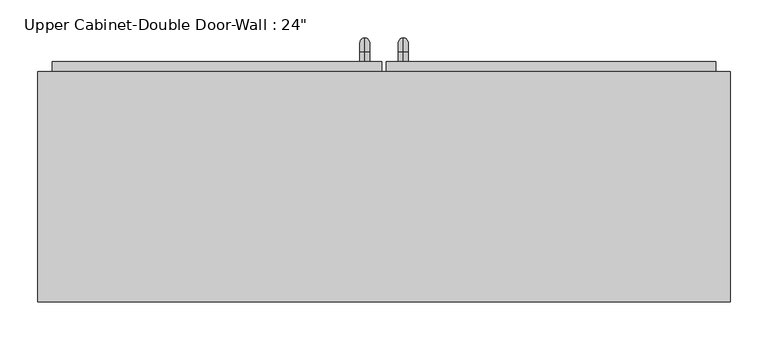
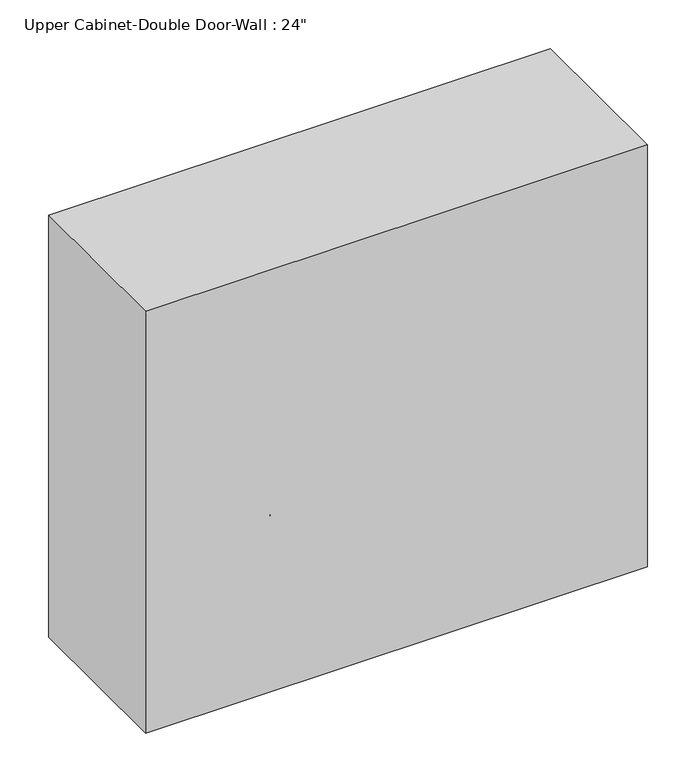
"""IFC4 building model written with IfcOpenShell, lengths in millimetres: furniture geometry."""

from ifc_helpers import new_model, si_unit, point, frame, origin, place, context, project, spatial, polyline, circle_curve, ellipse_curve, trimmed, outline, extrude, faceted_brep, source, transform, mapped, element, save
from ifc_brep_helpers import plane_surface, cylinder_surface, revolved_surface, advanced_brep


def furniture_da6f74d1(model_context):
    return source(origin(), model_context, "Body", "SolidModel", [
        faceted_brep([(-427.4288372, 76.2, 2133.6), (-427.4288372, 76.2, 1320.8), (486.9711628, 76.2, 1320.8), (486.9711628, 76.2, 2133.6), (-427.4288372, 381.0, 2133.6), (486.9711628, 381.0, 2133.6), (486.9711628, 381.0, 1320.8), (-427.4288372, 381.0, 1320.8), (-408.3788372, 381.0, 2114.55), (-408.3788372, 381.0, 1339.85), (467.9211628, 381.0, 1339.85), (467.9211628, 381.0, 2114.55), (467.9211628, 95.25, 2114.55), (-408.3788372, 95.25, 2114.55), (467.9211628, 95.25, 1339.85), (-408.3788372, 95.25, 1339.85)], [[[0, 1, 2, 3]], [[4, 5, 6, 7], [8, 9, 10, 11]], [[1, 0, 4, 7]], [[2, 1, 7, 6]], [[3, 2, 6, 5]], [[0, 3, 5, 4]], [[8, 11, 12, 13]], [[11, 10, 14, 12]], [[10, 9, 15, 14]], [[9, 8, 13, 15]], [[13, 12, 14, 15]]]),
        advanced_brep(
        [(55.1711628, 393.7, 1466.85), (55.1711628, 393.7, 1479.55), (55.1711628, 406.4, 1466.85), (55.1711628, 406.4, 1479.55), (55.1711628, 425.45, 1460.5), (55.1711628, 412.75, 1460.5), (55.1711628, 412.75, 1384.3), (55.1711628, 425.45, 1384.3), (55.1711628, 406.4, 1365.25), (55.1711628, 406.4, 1377.95), (55.1711628, 393.7, 1377.95), (55.1711628, 393.7, 1365.25)],
        [
            (0, 1, circle_curve(frame((55.1711628, 393.7, 1473.2), z_axis=(0.0, -1.0, 0.0), x_axis=(0.0, 0.0, -1.0)), 6.35)),
            (1, 0, circle_curve(frame((55.1711628, 393.7, 1473.2), z_axis=(0.0, -1.0, 0.0), x_axis=(0.0, 0.0, -1.0)), 6.35)),
            (0, 2),
            (2, 3, circle_curve(frame((55.1711628, 406.4, 1473.2), z_axis=(0.0, -1.0, 0.0), x_axis=(0.0, 0.0, -1.0)), 6.35)),
            (3, 1),
            (3, 2, circle_curve(frame((55.1711628, 406.4, 1473.2), z_axis=(0.0, -1.0, 0.0), x_axis=(0.0, 0.0, -1.0)), 6.35)),
            (4, 3, circle_curve(frame((55.1711628, 406.4, 1460.5), z_axis=(1.0, 0.0, 0.0), x_axis=(0.0, 0.0, 1.0)), 19.05)),
            (2, 5, circle_curve(frame((55.1711628, 406.4, 1460.5), z_axis=(-1.0, 0.0, 0.0), x_axis=(0.0, 0.0, 1.0)), 6.35)),
            (5, 4, circle_curve(frame((55.1711628, 419.1, 1460.5), z_axis=(0.0, 0.0, 1.0), x_axis=(0.0, -1.0, 0.0)), 6.35)),
            (4, 5, circle_curve(frame((55.1711628, 419.1, 1460.5), z_axis=(0.0, 0.0, 1.0), x_axis=(0.0, -1.0, 0.0)), 6.35)),
            (5, 6),
            (6, 7, circle_curve(frame((55.1711628, 419.1, 1384.3), z_axis=(0.0, 0.0, 1.0), x_axis=(0.0, -1.0, 0.0)), 6.35)),
            (7, 4),
            (7, 6, circle_curve(frame((55.1711628, 419.1, 1384.3), z_axis=(0.0, 0.0, 1.0), x_axis=(0.0, -1.0, 0.0)), 6.35)),
            (8, 7, circle_curve(frame((55.1711628, 406.4, 1384.3), z_axis=(1.0, 0.0, 0.0), x_axis=(0.0, 1.0, 0.0)), 19.05)),
            (6, 9, circle_curve(frame((55.1711628, 406.4, 1384.3), z_axis=(-1.0, 0.0, 0.0), x_axis=(0.0, 1.0, 0.0)), 6.35)),
            (9, 8, circle_curve(frame((55.1711628, 406.4, 1371.6), z_axis=(0.0, 1.0, 0.0), x_axis=(0.0, 0.0, 1.0)), 6.35)),
            (8, 9, circle_curve(frame((55.1711628, 406.4, 1371.6), z_axis=(0.0, 1.0, 0.0), x_axis=(0.0, 0.0, 1.0)), 6.35)),
            (10, 11, circle_curve(frame((55.1711628, 393.7, 1371.6), z_axis=(0.0, -1.0, 0.0), x_axis=(0.0, 0.0, 1.0)), 6.35)),
            (11, 10, circle_curve(frame((55.1711628, 393.7, 1371.6), z_axis=(0.0, -1.0, 0.0), x_axis=(0.0, 0.0, 1.0)), 6.35)),
            (9, 10),
            (11, 8),
        ],
        [
            plane_surface(frame((48.8211628, 393.7, 1473.2), z_axis=(0.0, -1.0, 0.0), x_axis=(0.0, 0.0, 1.0))),
            cylinder_surface(frame((55.1711628, 393.7, 1473.2), z_axis=(0.0, -1.0, 0.0), x_axis=(0.0, 0.0, -1.0)), 6.35),
            revolved_surface(trimmed(ellipse_curve(frame((55.1711628, 406.4, 1473.2), z_axis=(0.0, -1.0, 0.0), x_axis=(0.0, 0.0, -1.0)), 6.35, 6.35), [point((55.1711628, 406.4, 1466.85))], [point((55.1711628, 406.4, 1479.55))], True, "CARTESIAN"), (55.1711628, 406.4, 1460.5), (-1.0, 0.0, 0.0)),
            revolved_surface(trimmed(ellipse_curve(frame((55.1711628, 406.4, 1473.2), z_axis=(0.0, -1.0, 0.0), x_axis=(0.0, 0.0, -1.0)), 6.35, 6.35), [point((55.1711628, 406.4, 1479.55))], [point((55.1711628, 406.4, 1466.85))], True, "CARTESIAN"), (55.1711628, 406.4, 1460.5), (-1.0, 0.0, 0.0)),
            cylinder_surface(frame((55.1711628, 419.1, 1460.5), z_axis=(0.0, 0.0, 1.0), x_axis=(0.0, -1.0, 0.0)), 6.35),
            revolved_surface(trimmed(ellipse_curve(frame((55.1711628, 419.1, 1384.3), z_axis=(0.0, 0.0, 1.0), x_axis=(0.0, -1.0, 0.0)), 6.35, 6.35), [point((55.1711628, 412.75, 1384.3))], [point((55.1711628, 425.45, 1384.3))], True, "CARTESIAN"), (55.1711628, 406.4, 1384.3), (-1.0, 0.0, 0.0)),
            revolved_surface(trimmed(ellipse_curve(frame((55.1711628, 419.1, 1384.3), z_axis=(0.0, 0.0, 1.0), x_axis=(0.0, -1.0, 0.0)), 6.35, 6.35), [point((55.1711628, 425.45, 1384.3))], [point((55.1711628, 412.75, 1384.3))], True, "CARTESIAN"), (55.1711628, 406.4, 1384.3), (-1.0, 0.0, 0.0)),
            plane_surface(frame((48.8211628, 393.7, 1371.6), z_axis=(0.0, -1.0, 0.0), x_axis=(0.0, 0.0, -1.0))),
            cylinder_surface(frame((55.1711628, 406.4, 1371.6), z_axis=(0.0, 1.0, 0.0), x_axis=(0.0, 0.0, 1.0)), 6.35),
        ],
        [
            (0, [[1, 2]]),
            (1, [[-1, 3, 4, 5]]),
            (1, [[-2, -5, 6, -3]]),
            (2, [[7, -4, 8, 9]]),
            (3, [[-8, -6, -7, 10]]),
            (4, [[-9, 11, 12, 13]]),
            (4, [[-10, -13, 14, -11]]),
            (5, [[15, -12, 16, 17]]),
            (6, [[-16, -14, -15, 18]]),
            (7, [[19, 20]]),
            (8, [[-17, 21, -20, 22]]),
            (8, [[-18, -22, -19, -21]]),
        ],
    ),
        advanced_brep(
        [(4.3711628, 393.7, 1466.85), (4.3711628, 393.7, 1479.55), (4.3711628, 406.4, 1466.85), (4.3711628, 406.4, 1479.55), (4.3711628, 425.45, 1460.5), (4.3711628, 412.75, 1460.5), (4.3711628, 412.75, 1384.3), (4.3711628, 425.45, 1384.3), (4.3711628, 406.4, 1365.25), (4.3711628, 406.4, 1377.95), (4.3711628, 393.7, 1377.95), (4.3711628, 393.7, 1365.25)],
        [
            (0, 1, circle_curve(frame((4.3711628, 393.7, 1473.2), z_axis=(0.0, -1.0, 0.0), x_axis=(0.0, 0.0, 1.0)), 6.35)),
            (1, 0, circle_curve(frame((4.3711628, 393.7, 1473.2), z_axis=(0.0, -1.0, 0.0), x_axis=(0.0, 0.0, 1.0)), 6.35)),
            (0, 2),
            (2, 3, circle_curve(frame((4.3711628, 406.4, 1473.2), z_axis=(0.0, -1.0, 0.0), x_axis=(0.0, 0.0, 1.0)), 6.35)),
            (3, 1),
            (3, 2, circle_curve(frame((4.3711628, 406.4, 1473.2), z_axis=(0.0, -1.0, 0.0), x_axis=(0.0, 0.0, 1.0)), 6.35)),
            (4, 3, circle_curve(frame((4.3711628, 406.4, 1460.5), z_axis=(1.0, 0.0, 0.0), x_axis=(0.0, 0.0, 1.0)), 19.05)),
            (2, 5, circle_curve(frame((4.3711628, 406.4, 1460.5), z_axis=(-1.0, 0.0, 0.0), x_axis=(0.0, 0.0, 1.0)), 6.35)),
            (5, 4, circle_curve(frame((4.3711628, 419.1, 1460.5), z_axis=(0.0, 0.0, 1.0), x_axis=(0.0, 1.0, 0.0)), 6.35)),
            (4, 5, circle_curve(frame((4.3711628, 419.1, 1460.5), z_axis=(0.0, 0.0, 1.0), x_axis=(0.0, 1.0, 0.0)), 6.35)),
            (5, 6),
            (6, 7, circle_curve(frame((4.3711628, 419.1, 1384.3), z_axis=(0.0, 0.0, 1.0), x_axis=(0.0, 1.0, 0.0)), 6.35)),
            (7, 4),
            (7, 6, circle_curve(frame((4.3711628, 419.1, 1384.3), z_axis=(0.0, 0.0, 1.0), x_axis=(0.0, 1.0, 0.0)), 6.35)),
            (8, 7, circle_curve(frame((4.3711628, 406.4, 1384.3), z_axis=(1.0, 0.0, 0.0), x_axis=(0.0, 1.0, 0.0)), 19.05)),
            (6, 9, circle_curve(frame((4.3711628, 406.4, 1384.3), z_axis=(-1.0, 0.0, 0.0), x_axis=(0.0, 1.0, 0.0)), 6.35)),
            (9, 8, circle_curve(frame((4.3711628, 406.4, 1371.6), z_axis=(0.0, 1.0, 0.0), x_axis=(0.0, 0.0, -1.0)), 6.35)),
            (8, 9, circle_curve(frame((4.3711628, 406.4, 1371.6), z_axis=(0.0, 1.0, 0.0), x_axis=(0.0, 0.0, -1.0)), 6.35)),
            (10, 11, circle_curve(frame((4.3711628, 393.7, 1371.6), z_axis=(0.0, -1.0, 0.0), x_axis=(0.0, 0.0, -1.0)), 6.35)),
            (11, 10, circle_curve(frame((4.3711628, 393.7, 1371.6), z_axis=(0.0, -1.0, 0.0), x_axis=(0.0, 0.0, -1.0)), 6.35)),
            (9, 10),
            (11, 8),
        ],
        [
            plane_surface(frame((-1.9788372, 393.7, 1473.2), z_axis=(0.0, -1.0, 0.0), x_axis=(0.0, 0.0, 1.0))),
            cylinder_surface(frame((4.3711628, 393.7, 1473.2), z_axis=(0.0, -1.0, 0.0), x_axis=(0.0, 0.0, 1.0)), 6.35),
            revolved_surface(trimmed(ellipse_curve(frame((4.3711628, 406.4, 1473.2), z_axis=(0.0, -1.0, 0.0), x_axis=(0.0, 0.0, 1.0)), 6.35, 6.35), [point((4.3711628, 406.4, 1466.85))], [point((4.3711628, 406.4, 1479.55))], True, "CARTESIAN"), (4.3711628, 406.4, 1460.5), (-1.0, 0.0, 0.0)),
            revolved_surface(trimmed(ellipse_curve(frame((4.3711628, 406.4, 1473.2), z_axis=(0.0, -1.0, 0.0), x_axis=(0.0, 0.0, 1.0)), 6.35, 6.35), [point((4.3711628, 406.4, 1479.55))], [point((4.3711628, 406.4, 1466.85))], True, "CARTESIAN"), (4.3711628, 406.4, 1460.5), (-1.0, 0.0, 0.0)),
            cylinder_surface(frame((4.3711628, 419.1, 1460.5), z_axis=(0.0, 0.0, 1.0), x_axis=(0.0, 1.0, 0.0)), 6.35),
            revolved_surface(trimmed(ellipse_curve(frame((4.3711628, 419.1, 1384.3), z_axis=(0.0, 0.0, 1.0), x_axis=(0.0, 1.0, 0.0)), 6.35, 6.35), [point((4.3711628, 412.75, 1384.3))], [point((4.3711628, 425.45, 1384.3))], True, "CARTESIAN"), (4.3711628, 406.4, 1384.3), (-1.0, 0.0, 0.0)),
            revolved_surface(trimmed(ellipse_curve(frame((4.3711628, 419.1, 1384.3), z_axis=(0.0, 0.0, 1.0), x_axis=(0.0, 1.0, 0.0)), 6.35, 6.35), [point((4.3711628, 425.45, 1384.3))], [point((4.3711628, 412.75, 1384.3))], True, "CARTESIAN"), (4.3711628, 406.4, 1384.3), (-1.0, 0.0, 0.0)),
            plane_surface(frame((-1.9788372, 393.7, 1371.6), z_axis=(0.0, -1.0, 0.0), x_axis=(0.0, 0.0, -1.0))),
            cylinder_surface(frame((4.3711628, 406.4, 1371.6), z_axis=(0.0, 1.0, 0.0), x_axis=(0.0, 0.0, -1.0)), 6.35),
        ],
        [
            (0, [[1, 2]]),
            (1, [[-1, 3, 4, 5]]),
            (1, [[-2, -5, 6, -3]]),
            (2, [[7, -4, 8, 9]]),
            (3, [[-8, -6, -7, 10]]),
            (4, [[-9, 11, 12, 13]]),
            (4, [[-10, -13, 14, -11]]),
            (5, [[15, -12, 16, 17]]),
            (6, [[-16, -14, -15, 18]]),
            (7, [[19, 20]]),
            (8, [[-17, 21, -20, 22]]),
            (8, [[-18, -22, -19, -21]]),
        ],
    ),
        extrude(outline(polyline([(32.9461628, 393.7), (467.9211628, 393.7), (467.9211628, 361.95), (32.9461628, 361.95), (32.9461628, 393.7)])), frame((0.0, 0.0, 1339.85), z_axis=(0.0, 0.0, 1.0), x_axis=(1.0, 0.0, 0.0)), (0.0, 0.0, 1.0), 774.7),
        extrude(outline(polyline([(-408.3788372, 393.7), (26.5961628, 393.7), (26.5961628, 361.95), (-408.3788372, 361.95), (-408.3788372, 393.7)])), frame((0.0, 0.0, 1339.85), z_axis=(0.0, 0.0, 1.0), x_axis=(1.0, 0.0, 0.0)), (0.0, 0.0, 1.0), 774.7),
    ])


if __name__ == "__main__":
    model = new_model("IFC4")
    model_context = context("Model", 3, world=origin())
    ifc_project = project(units=[si_unit("LENGTHUNIT", "METRE", prefix="MILLI")], contexts=[model_context])
    site = spatial("IfcSite", under=ifc_project)
    building = spatial("IfcBuilding", under=site)
    placement = place(None, origin())
    furniture_shape = furniture_da6f74d1(model_context)
    element("IfcFurniture", 1, ObjectType="Upper Cabinet-Double Door-Wall : 24\"", at=placement, inside=building, context=model_context, shape_type="MappedRepresentation", body=[
        mapped(furniture_shape, transform((0.0, 0.0, 0.0), x_axis=(1.0, 0.0, 0.0), y_axis=(0.0, 1.0, 0.0), z_axis=(0.0, 0.0, 1.0))),
    ])
    save(model, "model.ifc")
